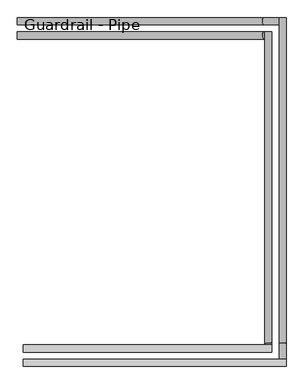
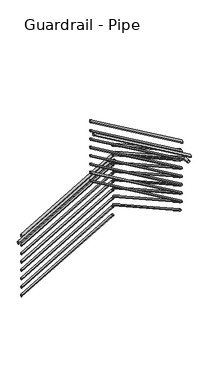
"""IFC4 building model written with IfcOpenShell, lengths in millimetres: railing geometry, Guardrail - Pipe."""

from ifc_helpers import new_model, si_unit, frame, origin, place, context, project, spatial, circle_curve, ellipse_curve, source, transform, mapped, element, save
from ifc_brep_helpers import plane_surface, cylinder_surface, advanced_brep


def guardrail_pipe_e14a1cb9(model_context):
    return source(origin(), model_context, "Body", "AdvancedBrep", [
        advanced_brep(
        [(1234.6563517, 3466.9330185, 1346.8347987), (1234.6563517, 3428.8330185, 1346.8347987), (2539.8193602, 3466.9330185, 2110.3815789), (2539.8193602, 3428.8330185, 2110.3815789), (2547.3563517, 3466.9330185, 2110.3815789), (2547.3563517, 3428.8330185, 2110.3815789)],
        [
            (0, 1, ellipse_curve(frame((1234.6563517, 3447.8830185, 1346.8347987), z_axis=(-1.0, 0.0, 0.0), x_axis=(0.0, 0.0, -1.0)), 22.0704645, 19.05)),
            (1, 0, ellipse_curve(frame((1234.6563517, 3447.8830185, 1346.8347987), z_axis=(-1.0, 0.0, 0.0), x_axis=(0.0, 0.0, -1.0)), 22.0704645, 19.05)),
            (0, 2),
            (2, 3, ellipse_curve(frame((2539.8193602, 3447.8830185, 2110.3815789), z_axis=(-0.96517990496879, 0.0, -0.2615869856174756), x_axis=(0.26158698561747573, 0.0, -0.96517990496879)), 19.737253, 19.05)),
            (3, 1),
            (3, 2, ellipse_curve(frame((2539.8193602, 3447.8830185, 2110.3815789), z_axis=(-0.96517990496879, 0.0, -0.2615869856174756), x_axis=(0.26158698561747573, 0.0, -0.96517990496879)), 19.737253, 19.05)),
            (4, 5, circle_curve(frame((2547.3563517, 3447.8830185, 2110.3815789), z_axis=(1.0, 0.0, 0.0), x_axis=(0.0, -1.0, 0.0)), 19.05)),
            (5, 4, circle_curve(frame((2547.3563517, 3447.8830185, 2110.3815789), z_axis=(1.0, 0.0, 0.0), x_axis=(0.0, -1.0, 0.0)), 19.05)),
            (2, 4),
            (5, 3),
        ],
        [
            plane_surface(frame((1234.6563517, 3447.8830185, 1368.9052632), z_axis=(-1.0, 0.0, 0.0), x_axis=(0.0, 1.0, 0.0))),
            cylinder_surface(frame((1244.2757826, 3447.8830185, 1352.4623605), z_axis=(-0.8631444979111252, 0.0, -0.5049570038386948), x_axis=(0.0, -1.0, 0.0)), 19.05),
            plane_surface(frame((2547.3563517, 3447.8830185, 2129.4315789), z_axis=(1.0, 0.0, 0.0), x_axis=(0.0, 1.0, 0.0))),
            cylinder_surface(frame((2534.6563517, 3447.8830185, 2110.3815789), z_axis=(-1.0, 0.0, 0.0), x_axis=(0.0, -1.0, 0.0)), 19.05),
        ],
        [
            (0, [[1, 2]]),
            (1, [[-1, 3, 4, 5]]),
            (1, [[-2, -5, 6, -3]]),
            (2, [[7, 8]]),
            (3, [[-4, 9, -8, 10]]),
            (3, [[-6, -10, -7, -9]]),
        ],
    ),
        advanced_brep(
        [(2585.4563517, 3466.9330185, 2249.0447046), (2547.3563517, 3466.9330185, 2249.0447046), (2585.4563517, 1812.2376261, 3175.1184211), (2547.3563517, 1812.2376261, 3175.1184211), (2585.4563517, 1804.5058469, 3175.1184211), (2547.3563517, 1804.5058469, 3175.1184211)],
        [
            (0, 1, ellipse_curve(frame((2566.4063517, 3466.9330185, 2249.0447046), z_axis=(0.0, 1.0, 0.0), x_axis=(0.0, 0.0, -1.0)), 21.8305351, 19.05)),
            (1, 0, ellipse_curve(frame((2566.4063517, 3466.9330185, 2249.0447046), z_axis=(0.0, 1.0, 0.0), x_axis=(0.0, 0.0, -1.0)), 21.8305351, 19.05)),
            (0, 2),
            (2, 3, ellipse_curve(frame((2566.4063517, 1812.2376261, 3175.1184211), z_axis=(0.0, 0.9676339497357068, -0.25235795869929556), x_axis=(0.0, -0.25235795869929495, -0.9676339497357072)), 19.6871968, 19.05)),
            (3, 1),
            (3, 2, ellipse_curve(frame((2566.4063517, 1812.2376261, 3175.1184211), z_axis=(0.0, 0.9676339497357068, -0.25235795869929556), x_axis=(0.0, -0.25235795869929495, -0.9676339497357072)), 19.6871968, 19.05)),
            (4, 5, circle_curve(frame((2566.4063517, 1804.5058469, 3175.1184211), z_axis=(0.0, -1.0, 0.0), x_axis=(-1.0, 0.0, 0.0)), 19.05)),
            (5, 4, circle_curve(frame((2566.4063517, 1804.5058469, 3175.1184211), z_axis=(0.0, -1.0, 0.0), x_axis=(-1.0, 0.0, 0.0)), 19.05)),
            (2, 4),
            (5, 3),
        ],
        [
            plane_surface(frame((2566.4063517, 3466.9330185, 2270.8752397), z_axis=(0.0, 1.0, 0.0), x_axis=(0.0, 0.0, -1.0))),
            cylinder_surface(frame((2566.4063517, 3457.6293746, 2254.2516207), z_axis=(0.0, 0.8726309213622493, -0.4883802566468795), x_axis=(-1.0, 0.0, 0.0)), 19.05),
            plane_surface(frame((2566.4063517, 1804.5058469, 3194.1684211), z_axis=(0.0, -1.0, 0.0), x_axis=(0.0, 0.0, -1.0))),
            cylinder_surface(frame((2566.4063517, 1817.2058469, 3175.1184211), z_axis=(0.0, 1.0, 0.0), x_axis=(-1.0, 0.0, 0.0)), 19.05),
        ],
        [
            (0, [[1, 2]]),
            (1, [[-1, 3, 4, 5]]),
            (1, [[-2, -5, 6, -3]]),
            (2, [[7, 8]]),
            (3, [[-4, 9, -8, 10]]),
            (3, [[-6, -10, -7, -9]]),
        ],
    ),
        advanced_brep(
        [(2585.4563517, 1766.4058469, 3313.0585841), (2585.4563517, 1804.5058469, 3313.0585841), (1266.4063517, 1766.4058469, 4084.7295355), (1266.4063517, 1804.5058469, 4084.7295355)],
        [
            (0, 1, ellipse_curve(frame((2585.4563517, 1785.4558469, 3313.0585841), z_axis=(1.0, 0.0, 0.0), x_axis=(0.0, 0.0, -1.0)), 22.0704645, 19.05)),
            (1, 0, ellipse_curve(frame((2585.4563517, 1785.4558469, 3313.0585841), z_axis=(1.0, 0.0, 0.0), x_axis=(0.0, 0.0, -1.0)), 22.0704645, 19.05)),
            (2, 3, ellipse_curve(frame((1266.4063517, 1785.4558469, 4084.7295355), z_axis=(-1.0, 0.0, 0.0), x_axis=(0.0, 0.0, -1.0)), 22.0704645, 19.05)),
            (3, 2, ellipse_curve(frame((1266.4063517, 1785.4558469, 4084.7295355), z_axis=(-1.0, 0.0, 0.0), x_axis=(0.0, 0.0, -1.0)), 22.0704645, 19.05)),
            (0, 2),
            (3, 1),
        ],
        [
            plane_surface(frame((2585.4563517, 1785.4558469, 3335.1290486), z_axis=(1.0, 0.0, 0.0), x_axis=(0.0, -1.0, 0.0))),
            plane_surface(frame((1266.4063517, 1785.4558469, 4106.8), z_axis=(-1.0, 0.0, 0.0), x_axis=(0.0, -1.0, 0.0))),
            cylinder_surface(frame((2575.8369208, 1785.4558469, 3318.6861459), z_axis=(0.8631444979111254, 0.0, -0.5049570038386947), x_axis=(0.0, 1.0, 0.0)), 19.05),
        ],
        [
            (0, [[1, 2]]),
            (1, [[3, 4]]),
            (2, [[-1, 5, -4, 6]]),
            (2, [[-2, -6, -3, -5]]),
        ],
    ),
        advanced_brep(
        [(1234.6563517, 3460.5830185, 1201.7916202), (1234.6563517, 3435.1830185, 1201.7916202), (2538.0983574, 3460.5830185, 1964.3315789), (2538.0983574, 3435.1830185, 1964.3315789), (2553.7063517, 3460.5830185, 1964.3315789), (2553.7063517, 3435.1830185, 1964.3315789)],
        [
            (0, 1, ellipse_curve(frame((1234.6563517, 3447.8830185, 1201.7916202), z_axis=(-1.0, 0.0, 0.0), x_axis=(0.0, 0.0, -1.0)), 14.713643, 12.7)),
            (1, 0, ellipse_curve(frame((1234.6563517, 3447.8830185, 1201.7916202), z_axis=(-1.0, 0.0, 0.0), x_axis=(0.0, 0.0, -1.0)), 14.713643, 12.7)),
            (0, 2),
            (2, 3, ellipse_curve(frame((2538.0983574, 3447.8830185, 1964.3315789), z_axis=(-0.96517990496879, 0.0, -0.2615869856174756), x_axis=(0.26158698561747573, 0.0, -0.96517990496879)), 13.1581687, 12.7)),
            (3, 1),
            (3, 2, ellipse_curve(frame((2538.0983574, 3447.8830185, 1964.3315789), z_axis=(-0.96517990496879, 0.0, -0.2615869856174756), x_axis=(0.26158698561747573, 0.0, -0.96517990496879)), 13.1581687, 12.7)),
            (4, 5, circle_curve(frame((2553.7063517, 3447.8830185, 1964.3315789), z_axis=(1.0, 0.0, 0.0), x_axis=(0.0, -1.0, 0.0)), 12.7)),
            (5, 4, circle_curve(frame((2553.7063517, 3447.8830185, 1964.3315789), z_axis=(1.0, 0.0, 0.0), x_axis=(0.0, -1.0, 0.0)), 12.7)),
            (2, 4),
            (5, 3),
        ],
        [
            plane_surface(frame((1234.6563517, 3447.8830185, 1216.5052632), z_axis=(-1.0, 0.0, 0.0), x_axis=(0.0, 1.0, 0.0))),
            cylinder_surface(frame((1241.0693057, 3447.8830185, 1205.543328), z_axis=(-0.8631444979111252, 0.0, -0.5049570038386948), x_axis=(0.0, -1.0, 0.0)), 12.7),
            plane_surface(frame((2553.7063517, 3447.8830185, 1977.0315789), z_axis=(1.0, 0.0, 0.0), x_axis=(0.0, 1.0, 0.0))),
            cylinder_surface(frame((2534.6563517, 3447.8830185, 1964.3315789), z_axis=(-1.0, 0.0, 0.0), x_axis=(0.0, -1.0, 0.0)), 12.7),
        ],
        [
            (0, [[1, 2]]),
            (1, [[-1, 3, 4, 5]]),
            (1, [[-2, -5, 6, -3]]),
            (2, [[7, 8]]),
            (3, [[-4, 9, -8, 10]]),
            (3, [[-6, -10, -7, -9]]),
        ],
    ),
        advanced_brep(
        [(2579.1063517, 3460.5830185, 2107.4754171), (2553.7063517, 3460.5830185, 2107.4754171), (2579.1063517, 1813.8936997, 3029.0684211), (2553.7063517, 1813.8936997, 3029.0684211), (2579.1063517, 1798.1558469, 3029.0684211), (2553.7063517, 1798.1558469, 3029.0684211)],
        [
            (0, 1, ellipse_curve(frame((2566.4063517, 3460.5830185, 2107.4754171), z_axis=(0.0, 1.0, 0.0), x_axis=(0.0, 0.0, -1.0)), 14.5536901, 12.7)),
            (1, 0, ellipse_curve(frame((2566.4063517, 3460.5830185, 2107.4754171), z_axis=(0.0, 1.0, 0.0), x_axis=(0.0, 0.0, -1.0)), 14.5536901, 12.7)),
            (0, 2),
            (2, 3, ellipse_curve(frame((2566.4063517, 1813.8936997, 3029.0684211), z_axis=(0.0, 0.9676339497357068, -0.25235795869929556), x_axis=(0.0, -0.25235795869929495, -0.9676339497357072)), 13.1247979, 12.7)),
            (3, 1),
            (3, 2, ellipse_curve(frame((2566.4063517, 1813.8936997, 3029.0684211), z_axis=(0.0, 0.9676339497357068, -0.25235795869929556), x_axis=(0.0, -0.25235795869929495, -0.9676339497357072)), 13.1247979, 12.7)),
            (4, 5, circle_curve(frame((2566.4063517, 1798.1558469, 3029.0684211), z_axis=(0.0, -1.0, 0.0), x_axis=(-1.0, 0.0, 0.0)), 12.7)),
            (5, 4, circle_curve(frame((2566.4063517, 1798.1558469, 3029.0684211), z_axis=(0.0, -1.0, 0.0), x_axis=(-1.0, 0.0, 0.0)), 12.7)),
            (2, 4),
            (5, 3),
        ],
        [
            plane_surface(frame((2566.4063517, 3460.5830185, 2122.0291072), z_axis=(0.0, 1.0, 0.0), x_axis=(0.0, 0.0, -1.0))),
            cylinder_surface(frame((2566.4063517, 3454.3805893, 2110.9466945), z_axis=(0.0, 0.8726309213622493, -0.4883802566468795), x_axis=(-1.0, 0.0, 0.0)), 12.7),
            plane_surface(frame((2566.4063517, 1798.1558469, 3041.7684211), z_axis=(0.0, -1.0, 0.0), x_axis=(0.0, 0.0, -1.0))),
            cylinder_surface(frame((2566.4063517, 1817.2058469, 3029.0684211), z_axis=(0.0, 1.0, 0.0), x_axis=(-1.0, 0.0, 0.0)), 12.7),
        ],
        [
            (0, [[1, 2]]),
            (1, [[-1, 3, 4, 5]]),
            (1, [[-2, -5, 6, -3]]),
            (2, [[7, 8]]),
            (3, [[-4, 9, -8, 10]]),
            (3, [[-6, -10, -7, -9]]),
        ],
    ),
        advanced_brep(
        [(2579.1063517, 1772.7558469, 3171.7302841), (2579.1063517, 1798.1558469, 3171.7302841), (1266.4063517, 1772.7558469, 3939.686357), (1266.4063517, 1798.1558469, 3939.686357)],
        [
            (0, 1, ellipse_curve(frame((2579.1063517, 1785.4558469, 3171.7302841), z_axis=(1.0, 0.0, 0.0), x_axis=(0.0, 0.0, -1.0)), 14.713643, 12.7)),
            (1, 0, ellipse_curve(frame((2579.1063517, 1785.4558469, 3171.7302841), z_axis=(1.0, 0.0, 0.0), x_axis=(0.0, 0.0, -1.0)), 14.713643, 12.7)),
            (2, 3, ellipse_curve(frame((1266.4063517, 1785.4558469, 3939.686357), z_axis=(-1.0, 0.0, 0.0), x_axis=(0.0, 0.0, -1.0)), 14.713643, 12.7)),
            (3, 2, ellipse_curve(frame((1266.4063517, 1785.4558469, 3939.686357), z_axis=(-1.0, 0.0, 0.0), x_axis=(0.0, 0.0, -1.0)), 14.713643, 12.7)),
            (0, 2),
            (3, 1),
        ],
        [
            plane_surface(frame((2579.1063517, 1785.4558469, 3186.4439271), z_axis=(1.0, 0.0, 0.0), x_axis=(0.0, -1.0, 0.0))),
            plane_surface(frame((1266.4063517, 1785.4558469, 3954.4), z_axis=(-1.0, 0.0, 0.0), x_axis=(0.0, -1.0, 0.0))),
            cylinder_surface(frame((2572.6933978, 1785.4558469, 3175.481992), z_axis=(0.8631444979111254, 0.0, -0.5049570038386947), x_axis=(0.0, 1.0, 0.0)), 12.7),
        ],
        [
            (0, [[1, 2]]),
            (1, [[3, 4]]),
            (2, [[-1, 5, -4, 6]]),
            (2, [[-2, -6, -3, -5]]),
        ],
    ),
        advanced_brep(
        [(1234.6563517, 3543.1330185, 1194.4347987), (1234.6563517, 3505.0330185, 1194.4347987), (2539.8193602, 3543.1330185, 1957.9815789), (2539.8193602, 3505.0330185, 1957.9815789), (2623.5563517, 3543.1330185, 1957.9815789), (2623.5563517, 3505.0330185, 1957.9815789)],
        [
            (0, 1, ellipse_curve(frame((1234.6563517, 3524.0830185, 1194.4347987), z_axis=(-1.0, 0.0, 0.0), x_axis=(0.0, 0.0, -1.0)), 22.0704645, 19.05)),
            (1, 0, ellipse_curve(frame((1234.6563517, 3524.0830185, 1194.4347987), z_axis=(-1.0, 0.0, 0.0), x_axis=(0.0, 0.0, -1.0)), 22.0704645, 19.05)),
            (0, 2),
            (2, 3, ellipse_curve(frame((2539.8193602, 3524.0830185, 1957.9815789), z_axis=(-0.96517990496879, 0.0, -0.2615869856174756), x_axis=(0.26158698561747545, 0.0, -0.9651799049687901)), 19.737253, 19.05)),
            (3, 1),
            (3, 2, ellipse_curve(frame((2539.8193602, 3524.0830185, 1957.9815789), z_axis=(-0.96517990496879, 0.0, -0.2615869856174756), x_axis=(0.26158698561747545, 0.0, -0.9651799049687901)), 19.737253, 19.05)),
            (4, 5, circle_curve(frame((2623.5563517, 3524.0830185, 1957.9815789), z_axis=(1.0, 0.0, 0.0), x_axis=(0.0, -1.0, 0.0)), 19.05)),
            (5, 4, circle_curve(frame((2623.5563517, 3524.0830185, 1957.9815789), z_axis=(1.0, 0.0, 0.0), x_axis=(0.0, -1.0, 0.0)), 19.05)),
            (2, 4),
            (5, 3),
        ],
        [
            plane_surface(frame((1234.6563517, 3524.0830185, 1216.5052632), z_axis=(-1.0, 0.0, 0.0), x_axis=(0.0, 1.0, 0.0))),
            cylinder_surface(frame((1244.2757826, 3524.0830185, 1200.0623605), z_axis=(-0.8631444979111254, 0.0, -0.5049570038386947), x_axis=(0.0, -1.0, 0.0)), 19.05),
            plane_surface(frame((2623.5563517, 3524.0830185, 1977.0315789), z_axis=(1.0, 0.0, 0.0), x_axis=(0.0, 1.0, 0.0))),
            cylinder_surface(frame((2534.6563517, 3524.0830185, 1957.9815789), z_axis=(-1.0, 0.0, 0.0), x_axis=(0.0, -1.0, 0.0)), 19.05),
        ],
        [
            (0, [[1, 2]]),
            (1, [[-1, 3, 4, 5]]),
            (1, [[-2, -5, 6, -3]]),
            (2, [[7, 8]]),
            (3, [[-4, 9, -8, 10]]),
            (3, [[-6, -10, -7, -9]]),
        ],
    ),
        advanced_brep(
        [(2661.6563517, 3543.1330185, 2053.9982952), (2623.5563517, 3543.1330185, 2053.9982952), (2661.6563517, 1812.2376261, 3022.7184211), (2623.5563517, 1812.2376261, 3022.7184211), (2661.6563517, 1728.3058469, 3022.7184211), (2623.5563517, 1728.3058469, 3022.7184211)],
        [
            (0, 1, ellipse_curve(frame((2642.6063517, 3543.1330185, 2053.9982952), z_axis=(0.0, 1.0, 0.0), x_axis=(0.0, 0.0, -1.0)), 21.8305351, 19.05)),
            (1, 0, ellipse_curve(frame((2642.6063517, 3543.1330185, 2053.9982952), z_axis=(0.0, 1.0, 0.0), x_axis=(0.0, 0.0, -1.0)), 21.8305351, 19.05)),
            (0, 2),
            (2, 3, ellipse_curve(frame((2642.6063517, 1812.2376261, 3022.7184211), z_axis=(0.0, 0.9676339497357069, -0.2523579586992955), x_axis=(0.0, -0.25235795869929545, -0.9676339497357072)), 19.6871968, 19.05)),
            (3, 1),
            (3, 2, ellipse_curve(frame((2642.6063517, 1812.2376261, 3022.7184211), z_axis=(0.0, 0.9676339497357069, -0.2523579586992955), x_axis=(0.0, -0.25235795869929545, -0.9676339497357072)), 19.6871968, 19.05)),
            (4, 5, circle_curve(frame((2642.6063517, 1728.3058469, 3022.7184211), z_axis=(0.0, -1.0, 0.0), x_axis=(-1.0, 0.0, 0.0)), 19.05)),
            (5, 4, circle_curve(frame((2642.6063517, 1728.3058469, 3022.7184211), z_axis=(0.0, -1.0, 0.0), x_axis=(-1.0, 0.0, 0.0)), 19.05)),
            (2, 4),
            (5, 3),
        ],
        [
            plane_surface(frame((2642.6063517, 3543.1330185, 2075.8288303), z_axis=(0.0, 1.0, 0.0), x_axis=(0.0, 0.0, -1.0))),
            cylinder_surface(frame((2642.6063517, 3533.8293746, 2059.2052113), z_axis=(0.0, 0.8726309213622494, -0.48838025664687945), x_axis=(-1.0, 0.0, 0.0)), 19.05),
            plane_surface(frame((2642.6063517, 1728.3058469, 3041.7684211), z_axis=(0.0, -1.0, 0.0), x_axis=(0.0, 0.0, -1.0))),
            cylinder_surface(frame((2642.6063517, 1817.2058469, 3022.7184211), z_axis=(0.0, 1.0, 0.0), x_axis=(-1.0, 0.0, 0.0)), 19.05),
        ],
        [
            (0, [[1, 2]]),
            (1, [[-1, 3, 4, 5]]),
            (1, [[-2, -5, 6, -3]]),
            (2, [[7, 8]]),
            (3, [[-4, 9, -8, 10]]),
            (3, [[-6, -10, -7, -9]]),
        ],
    ),
        advanced_brep(
        [(2661.6563517, 1690.2058469, 3116.0800416), (2661.6563517, 1728.3058469, 3116.0800416), (1266.4063517, 1690.2058469, 3932.3295355), (1266.4063517, 1728.3058469, 3932.3295355)],
        [
            (0, 1, ellipse_curve(frame((2661.6563517, 1709.2558469, 3116.0800416), z_axis=(1.0, 0.0, 0.0), x_axis=(0.0, 0.0, -1.0)), 22.0704645, 19.05)),
            (1, 0, ellipse_curve(frame((2661.6563517, 1709.2558469, 3116.0800416), z_axis=(1.0, 0.0, 0.0), x_axis=(0.0, 0.0, -1.0)), 22.0704645, 19.05)),
            (2, 3, ellipse_curve(frame((1266.4063517, 1709.2558469, 3932.3295355), z_axis=(-1.0, 0.0, 0.0), x_axis=(0.0, 0.0, -1.0)), 22.0704645, 19.05)),
            (3, 2, ellipse_curve(frame((1266.4063517, 1709.2558469, 3932.3295355), z_axis=(-1.0, 0.0, 0.0), x_axis=(0.0, 0.0, -1.0)), 22.0704645, 19.05)),
            (0, 2),
            (3, 1),
        ],
        [
            plane_surface(frame((2661.6563517, 1709.2558469, 3138.1505061), z_axis=(1.0, 0.0, 0.0), x_axis=(0.0, -1.0, 0.0))),
            plane_surface(frame((1266.4063517, 1709.2558469, 3954.4), z_axis=(-1.0, 0.0, 0.0), x_axis=(0.0, -1.0, 0.0))),
            cylinder_surface(frame((2652.0369208, 1709.2558469, 3121.7076034), z_axis=(0.8631444979111254, 0.0, -0.5049570038386946), x_axis=(0.0, 1.0, 0.0)), 19.05),
        ],
        [
            (0, [[1, 2]]),
            (1, [[3, 4]]),
            (2, [[-1, 5, -4, 6]]),
            (2, [[-2, -6, -3, -5]]),
        ],
    ),
        advanced_brep(
        [(1234.6563517, 3460.5830185, 1074.7916202), (1234.6563517, 3435.1830185, 1074.7916202), (2538.0983574, 3460.5830185, 1837.3315789), (2538.0983574, 3435.1830185, 1837.3315789), (2553.7063517, 3460.5830185, 1837.3315789), (2553.7063517, 3435.1830185, 1837.3315789)],
        [
            (0, 1, ellipse_curve(frame((1234.6563517, 3447.8830185, 1074.7916202), z_axis=(-1.0, 0.0, 0.0), x_axis=(0.0, 0.0, -1.0)), 14.713643, 12.7)),
            (1, 0, ellipse_curve(frame((1234.6563517, 3447.8830185, 1074.7916202), z_axis=(-1.0, 0.0, 0.0), x_axis=(0.0, 0.0, -1.0)), 14.713643, 12.7)),
            (0, 2),
            (2, 3, ellipse_curve(frame((2538.0983574, 3447.8830185, 1837.3315789), z_axis=(-0.96517990496879, 0.0, -0.2615869856174756), x_axis=(0.26158698561747573, 0.0, -0.96517990496879)), 13.1581687, 12.7)),
            (3, 1),
            (3, 2, ellipse_curve(frame((2538.0983574, 3447.8830185, 1837.3315789), z_axis=(-0.96517990496879, 0.0, -0.2615869856174756), x_axis=(0.26158698561747573, 0.0, -0.96517990496879)), 13.1581687, 12.7)),
            (4, 5, circle_curve(frame((2553.7063517, 3447.8830185, 1837.3315789), z_axis=(1.0, 0.0, 0.0), x_axis=(0.0, -1.0, 0.0)), 12.7)),
            (5, 4, circle_curve(frame((2553.7063517, 3447.8830185, 1837.3315789), z_axis=(1.0, 0.0, 0.0), x_axis=(0.0, -1.0, 0.0)), 12.7)),
            (2, 4),
            (5, 3),
        ],
        [
            plane_surface(frame((1234.6563517, 3447.8830185, 1089.5052632), z_axis=(-1.0, 0.0, 0.0), x_axis=(0.0, 1.0, 0.0))),
            cylinder_surface(frame((1241.0693057, 3447.8830185, 1078.543328), z_axis=(-0.8631444979111252, 0.0, -0.5049570038386948), x_axis=(0.0, -1.0, 0.0)), 12.7),
            plane_surface(frame((2553.7063517, 3447.8830185, 1850.0315789), z_axis=(1.0, 0.0, 0.0), x_axis=(0.0, 1.0, 0.0))),
            cylinder_surface(frame((2534.6563517, 3447.8830185, 1837.3315789), z_axis=(-1.0, 0.0, 0.0), x_axis=(0.0, -1.0, 0.0)), 12.7),
        ],
        [
            (0, [[1, 2]]),
            (1, [[-1, 3, 4, 5]]),
            (1, [[-2, -5, 6, -3]]),
            (2, [[7, 8]]),
            (3, [[-4, 9, -8, 10]]),
            (3, [[-6, -10, -7, -9]]),
        ],
    ),
        advanced_brep(
        [(2579.1063517, 3460.5830185, 1980.4754171), (2553.7063517, 3460.5830185, 1980.4754171), (2579.1063517, 1813.8936997, 2902.0684211), (2553.7063517, 1813.8936997, 2902.0684211), (2579.1063517, 1798.1558469, 2902.0684211), (2553.7063517, 1798.1558469, 2902.0684211)],
        [
            (0, 1, ellipse_curve(frame((2566.4063517, 3460.5830185, 1980.4754171), z_axis=(0.0, 1.0, 0.0), x_axis=(0.0, 0.0, -1.0)), 14.5536901, 12.7)),
            (1, 0, ellipse_curve(frame((2566.4063517, 3460.5830185, 1980.4754171), z_axis=(0.0, 1.0, 0.0), x_axis=(0.0, 0.0, -1.0)), 14.5536901, 12.7)),
            (0, 2),
            (2, 3, ellipse_curve(frame((2566.4063517, 1813.8936997, 2902.0684211), z_axis=(0.0, 0.9676339497357068, -0.25235795869929556), x_axis=(0.0, -0.25235795869929495, -0.9676339497357072)), 13.1247979, 12.7)),
            (3, 1),
            (3, 2, ellipse_curve(frame((2566.4063517, 1813.8936997, 2902.0684211), z_axis=(0.0, 0.9676339497357068, -0.25235795869929556), x_axis=(0.0, -0.25235795869929495, -0.9676339497357072)), 13.1247979, 12.7)),
            (4, 5, circle_curve(frame((2566.4063517, 1798.1558469, 2902.0684211), z_axis=(0.0, -1.0, 0.0), x_axis=(-1.0, 0.0, 0.0)), 12.7)),
            (5, 4, circle_curve(frame((2566.4063517, 1798.1558469, 2902.0684211), z_axis=(0.0, -1.0, 0.0), x_axis=(-1.0, 0.0, 0.0)), 12.7)),
            (2, 4),
            (5, 3),
        ],
        [
            plane_surface(frame((2566.4063517, 3460.5830185, 1995.0291072), z_axis=(0.0, 1.0, 0.0), x_axis=(0.0, 0.0, -1.0))),
            cylinder_surface(frame((2566.4063517, 3454.3805893, 1983.9466945), z_axis=(0.0, 0.8726309213622493, -0.4883802566468795), x_axis=(-1.0, 0.0, 0.0)), 12.7),
            plane_surface(frame((2566.4063517, 1798.1558469, 2914.7684211), z_axis=(0.0, -1.0, 0.0), x_axis=(0.0, 0.0, -1.0))),
            cylinder_surface(frame((2566.4063517, 1817.2058469, 2902.0684211), z_axis=(0.0, 1.0, 0.0), x_axis=(-1.0, 0.0, 0.0)), 12.7),
        ],
        [
            (0, [[1, 2]]),
            (1, [[-1, 3, 4, 5]]),
            (1, [[-2, -5, 6, -3]]),
            (2, [[7, 8]]),
            (3, [[-4, 9, -8, 10]]),
            (3, [[-6, -10, -7, -9]]),
        ],
    ),
        advanced_brep(
        [(2579.1063517, 1772.7558469, 3044.7302841), (2579.1063517, 1798.1558469, 3044.7302841), (1266.4063517, 1772.7558469, 3812.686357), (1266.4063517, 1798.1558469, 3812.686357)],
        [
            (0, 1, ellipse_curve(frame((2579.1063517, 1785.4558469, 3044.7302841), z_axis=(1.0, 0.0, 0.0), x_axis=(0.0, 0.0, -1.0)), 14.713643, 12.7)),
            (1, 0, ellipse_curve(frame((2579.1063517, 1785.4558469, 3044.7302841), z_axis=(1.0, 0.0, 0.0), x_axis=(0.0, 0.0, -1.0)), 14.713643, 12.7)),
            (2, 3, ellipse_curve(frame((1266.4063517, 1785.4558469, 3812.686357), z_axis=(-1.0, 0.0, 0.0), x_axis=(0.0, 0.0, -1.0)), 14.713643, 12.7)),
            (3, 2, ellipse_curve(frame((1266.4063517, 1785.4558469, 3812.686357), z_axis=(-1.0, 0.0, 0.0), x_axis=(0.0, 0.0, -1.0)), 14.713643, 12.7)),
            (0, 2),
            (3, 1),
        ],
        [
            plane_surface(frame((2579.1063517, 1785.4558469, 3059.4439271), z_axis=(1.0, 0.0, 0.0), x_axis=(0.0, -1.0, 0.0))),
            plane_surface(frame((1266.4063517, 1785.4558469, 3827.4), z_axis=(-1.0, 0.0, 0.0), x_axis=(0.0, -1.0, 0.0))),
            cylinder_surface(frame((2572.6933978, 1785.4558469, 3048.481992), z_axis=(0.8631444979111254, 0.0, -0.5049570038386947), x_axis=(0.0, 1.0, 0.0)), 12.7),
        ],
        [
            (0, [[1, 2]]),
            (1, [[3, 4]]),
            (2, [[-1, 5, -4, 6]]),
            (2, [[-2, -6, -3, -5]]),
        ],
    ),
        advanced_brep(
        [(1234.6563517, 3460.5830185, 947.7916202), (1234.6563517, 3435.1830185, 947.7916202), (2538.0983574, 3460.5830185, 1710.3315789), (2538.0983574, 3435.1830185, 1710.3315789), (2553.7063517, 3460.5830185, 1710.3315789), (2553.7063517, 3435.1830185, 1710.3315789)],
        [
            (0, 1, ellipse_curve(frame((1234.6563517, 3447.8830185, 947.7916202), z_axis=(-1.0, 0.0, 0.0), x_axis=(0.0, 0.0, -1.0)), 14.713643, 12.7)),
            (1, 0, ellipse_curve(frame((1234.6563517, 3447.8830185, 947.7916202), z_axis=(-1.0, 0.0, 0.0), x_axis=(0.0, 0.0, -1.0)), 14.713643, 12.7)),
            (0, 2),
            (2, 3, ellipse_curve(frame((2538.0983574, 3447.8830185, 1710.3315789), z_axis=(-0.9651799049687899, 0.0, -0.2615869856174757), x_axis=(0.2615869856174748, 0.0, -0.9651799049687902)), 13.1581687, 12.7)),
            (3, 1),
            (3, 2, ellipse_curve(frame((2538.0983574, 3447.8830185, 1710.3315789), z_axis=(-0.9651799049687899, 0.0, -0.2615869856174757), x_axis=(0.2615869856174748, 0.0, -0.9651799049687902)), 13.1581687, 12.7)),
            (4, 5, circle_curve(frame((2553.7063517, 3447.8830185, 1710.3315789), z_axis=(1.0, 0.0, 0.0), x_axis=(0.0, -1.0, 0.0)), 12.7)),
            (5, 4, circle_curve(frame((2553.7063517, 3447.8830185, 1710.3315789), z_axis=(1.0, 0.0, 0.0), x_axis=(0.0, -1.0, 0.0)), 12.7)),
            (2, 4),
            (5, 3),
        ],
        [
            plane_surface(frame((1234.6563517, 3447.8830185, 962.5052632), z_axis=(-1.0, 0.0, 0.0), x_axis=(0.0, 1.0, 0.0))),
            cylinder_surface(frame((1241.0693057, 3447.8830185, 951.543328), z_axis=(-0.8631444979111251, 0.0, -0.5049570038386949), x_axis=(0.0, -1.0, 0.0)), 12.7),
            plane_surface(frame((2553.7063517, 3447.8830185, 1723.0315789), z_axis=(1.0, 0.0, 0.0), x_axis=(0.0, 1.0, 0.0))),
            cylinder_surface(frame((2534.6563517, 3447.8830185, 1710.3315789), z_axis=(-1.0, 0.0, 0.0), x_axis=(0.0, -1.0, 0.0)), 12.7),
        ],
        [
            (0, [[1, 2]]),
            (1, [[-1, 3, 4, 5]]),
            (1, [[-2, -5, 6, -3]]),
            (2, [[7, 8]]),
            (3, [[-4, 9, -8, 10]]),
            (3, [[-6, -10, -7, -9]]),
        ],
    ),
        advanced_brep(
        [(2579.1063517, 3460.5830185, 1853.4754171), (2553.7063517, 3460.5830185, 1853.4754171), (2579.1063517, 1813.8936997, 2775.0684211), (2553.7063517, 1813.8936997, 2775.0684211), (2579.1063517, 1798.1558469, 2775.0684211), (2553.7063517, 1798.1558469, 2775.0684211)],
        [
            (0, 1, ellipse_curve(frame((2566.4063517, 3460.5830185, 1853.4754171), z_axis=(0.0, 1.0, 0.0), x_axis=(0.0, 0.0, -1.0)), 14.5536901, 12.7)),
            (1, 0, ellipse_curve(frame((2566.4063517, 3460.5830185, 1853.4754171), z_axis=(0.0, 1.0, 0.0), x_axis=(0.0, 0.0, -1.0)), 14.5536901, 12.7)),
            (0, 2),
            (2, 3, ellipse_curve(frame((2566.4063517, 1813.8936997, 2775.0684211), z_axis=(0.0, 0.9676339497357069, -0.2523579586992955), x_axis=(0.0, -0.25235795869929545, -0.9676339497357072)), 13.1247979, 12.7)),
            (3, 1),
            (3, 2, ellipse_curve(frame((2566.4063517, 1813.8936997, 2775.0684211), z_axis=(0.0, 0.9676339497357069, -0.2523579586992955), x_axis=(0.0, -0.25235795869929545, -0.9676339497357072)), 13.1247979, 12.7)),
            (4, 5, circle_curve(frame((2566.4063517, 1798.1558469, 2775.0684211), z_axis=(0.0, -1.0, 0.0), x_axis=(-1.0, 0.0, 0.0)), 12.7)),
            (5, 4, circle_curve(frame((2566.4063517, 1798.1558469, 2775.0684211), z_axis=(0.0, -1.0, 0.0), x_axis=(-1.0, 0.0, 0.0)), 12.7)),
            (2, 4),
            (5, 3),
        ],
        [
            plane_surface(frame((2566.4063517, 3460.5830185, 1868.0291072), z_axis=(0.0, 1.0, 0.0), x_axis=(0.0, 0.0, -1.0))),
            cylinder_surface(frame((2566.4063517, 3454.3805893, 1856.9466945), z_axis=(0.0, 0.8726309213622494, -0.48838025664687945), x_axis=(-1.0, 0.0, 0.0)), 12.7),
            plane_surface(frame((2566.4063517, 1798.1558469, 2787.7684211), z_axis=(0.0, -1.0, 0.0), x_axis=(0.0, 0.0, -1.0))),
            cylinder_surface(frame((2566.4063517, 1817.2058469, 2775.0684211), z_axis=(0.0, 1.0, 0.0), x_axis=(-1.0, 0.0, 0.0)), 12.7),
        ],
        [
            (0, [[1, 2]]),
            (1, [[-1, 3, 4, 5]]),
            (1, [[-2, -5, 6, -3]]),
            (2, [[7, 8]]),
            (3, [[-4, 9, -8, 10]]),
            (3, [[-6, -10, -7, -9]]),
        ],
    ),
        advanced_brep(
        [(2579.1063517, 1772.7558469, 2917.7302841), (2579.1063517, 1798.1558469, 2917.7302841), (1266.4063517, 1772.7558469, 3685.686357), (1266.4063517, 1798.1558469, 3685.686357)],
        [
            (0, 1, ellipse_curve(frame((2579.1063517, 1785.4558469, 2917.7302841), z_axis=(1.0, 0.0, 0.0), x_axis=(0.0, 0.0, -1.0)), 14.713643, 12.7)),
            (1, 0, ellipse_curve(frame((2579.1063517, 1785.4558469, 2917.7302841), z_axis=(1.0, 0.0, 0.0), x_axis=(0.0, 0.0, -1.0)), 14.713643, 12.7)),
            (2, 3, ellipse_curve(frame((1266.4063517, 1785.4558469, 3685.686357), z_axis=(-1.0, 0.0, 0.0), x_axis=(0.0, 0.0, -1.0)), 14.713643, 12.7)),
            (3, 2, ellipse_curve(frame((1266.4063517, 1785.4558469, 3685.686357), z_axis=(-1.0, 0.0, 0.0), x_axis=(0.0, 0.0, -1.0)), 14.713643, 12.7)),
            (0, 2),
            (3, 1),
        ],
        [
            plane_surface(frame((2579.1063517, 1785.4558469, 2932.4439271), z_axis=(1.0, 0.0, 0.0), x_axis=(0.0, -1.0, 0.0))),
            plane_surface(frame((1266.4063517, 1785.4558469, 3700.4), z_axis=(-1.0, 0.0, 0.0), x_axis=(0.0, -1.0, 0.0))),
            cylinder_surface(frame((2572.6933978, 1785.4558469, 2921.481992), z_axis=(0.8631444979111254, 0.0, -0.5049570038386947), x_axis=(0.0, 1.0, 0.0)), 12.7),
        ],
        [
            (0, [[1, 2]]),
            (1, [[3, 4]]),
            (2, [[-1, 5, -4, 6]]),
            (2, [[-2, -6, -3, -5]]),
        ],
    ),
        advanced_brep(
        [(1234.6563517, 3460.5830185, 820.7916202), (1234.6563517, 3435.1830185, 820.7916202), (2538.0983574, 3460.5830185, 1583.3315789), (2538.0983574, 3435.1830185, 1583.3315789), (2553.7063517, 3460.5830185, 1583.3315789), (2553.7063517, 3435.1830185, 1583.3315789)],
        [
            (0, 1, ellipse_curve(frame((1234.6563517, 3447.8830185, 820.7916202), z_axis=(-1.0, 0.0, 0.0), x_axis=(0.0, 0.0, -1.0)), 14.713643, 12.7)),
            (1, 0, ellipse_curve(frame((1234.6563517, 3447.8830185, 820.7916202), z_axis=(-1.0, 0.0, 0.0), x_axis=(0.0, 0.0, -1.0)), 14.713643, 12.7)),
            (0, 2),
            (2, 3, ellipse_curve(frame((2538.0983574, 3447.8830185, 1583.3315789), z_axis=(-0.96517990496879, 0.0, -0.2615869856174756), x_axis=(0.26158698561747573, 0.0, -0.96517990496879)), 13.1581687, 12.7)),
            (3, 1),
            (3, 2, ellipse_curve(frame((2538.0983574, 3447.8830185, 1583.3315789), z_axis=(-0.96517990496879, 0.0, -0.2615869856174756), x_axis=(0.26158698561747573, 0.0, -0.96517990496879)), 13.1581687, 12.7)),
            (4, 5, circle_curve(frame((2553.7063517, 3447.8830185, 1583.3315789), z_axis=(1.0, 0.0, 0.0), x_axis=(0.0, -1.0, 0.0)), 12.7)),
            (5, 4, circle_curve(frame((2553.7063517, 3447.8830185, 1583.3315789), z_axis=(1.0, 0.0, 0.0), x_axis=(0.0, -1.0, 0.0)), 12.7)),
            (2, 4),
            (5, 3),
        ],
        [
            plane_surface(frame((1234.6563517, 3447.8830185, 835.5052632), z_axis=(-1.0, 0.0, 0.0), x_axis=(0.0, 1.0, 0.0))),
            cylinder_surface(frame((1241.0693057, 3447.8830185, 824.543328), z_axis=(-0.8631444979111252, 0.0, -0.5049570038386948), x_axis=(0.0, -1.0, 0.0)), 12.7),
            plane_surface(frame((2553.7063517, 3447.8830185, 1596.0315789), z_axis=(1.0, 0.0, 0.0), x_axis=(0.0, 1.0, 0.0))),
            cylinder_surface(frame((2534.6563517, 3447.8830185, 1583.3315789), z_axis=(-1.0, 0.0, 0.0), x_axis=(0.0, -1.0, 0.0)), 12.7),
        ],
        [
            (0, [[1, 2]]),
            (1, [[-1, 3, 4, 5]]),
            (1, [[-2, -5, 6, -3]]),
            (2, [[7, 8]]),
            (3, [[-4, 9, -8, 10]]),
            (3, [[-6, -10, -7, -9]]),
        ],
    ),
        advanced_brep(
        [(2579.1063517, 3460.5830185, 1726.4754171), (2553.7063517, 3460.5830185, 1726.4754171), (2579.1063517, 1813.8936997, 2648.0684211), (2553.7063517, 1813.8936997, 2648.0684211), (2579.1063517, 1798.1558469, 2648.0684211), (2553.7063517, 1798.1558469, 2648.0684211)],
        [
            (0, 1, ellipse_curve(frame((2566.4063517, 3460.5830185, 1726.4754171), z_axis=(0.0, 1.0, 0.0), x_axis=(0.0, 0.0, -1.0)), 14.5536901, 12.7)),
            (1, 0, ellipse_curve(frame((2566.4063517, 3460.5830185, 1726.4754171), z_axis=(0.0, 1.0, 0.0), x_axis=(0.0, 0.0, -1.0)), 14.5536901, 12.7)),
            (0, 2),
            (2, 3, ellipse_curve(frame((2566.4063517, 1813.8936997, 2648.0684211), z_axis=(0.0, 0.9676339497357068, -0.25235795869929556), x_axis=(0.0, -0.25235795869929495, -0.9676339497357072)), 13.1247979, 12.7)),
            (3, 1),
            (3, 2, ellipse_curve(frame((2566.4063517, 1813.8936997, 2648.0684211), z_axis=(0.0, 0.9676339497357068, -0.25235795869929556), x_axis=(0.0, -0.25235795869929495, -0.9676339497357072)), 13.1247979, 12.7)),
            (4, 5, circle_curve(frame((2566.4063517, 1798.1558469, 2648.0684211), z_axis=(0.0, -1.0, 0.0), x_axis=(-1.0, 0.0, 0.0)), 12.7)),
            (5, 4, circle_curve(frame((2566.4063517, 1798.1558469, 2648.0684211), z_axis=(0.0, -1.0, 0.0), x_axis=(-1.0, 0.0, 0.0)), 12.7)),
            (2, 4),
            (5, 3),
        ],
        [
            plane_surface(frame((2566.4063517, 3460.5830185, 1741.0291072), z_axis=(0.0, 1.0, 0.0), x_axis=(0.0, 0.0, -1.0))),
            cylinder_surface(frame((2566.4063517, 3454.3805893, 1729.9466945), z_axis=(0.0, 0.8726309213622493, -0.4883802566468795), x_axis=(-1.0, 0.0, 0.0)), 12.7),
            plane_surface(frame((2566.4063517, 1798.1558469, 2660.7684211), z_axis=(0.0, -1.0, 0.0), x_axis=(0.0, 0.0, -1.0))),
            cylinder_surface(frame((2566.4063517, 1817.2058469, 2648.0684211), z_axis=(0.0, 1.0, 0.0), x_axis=(-1.0, 0.0, 0.0)), 12.7),
        ],
        [
            (0, [[1, 2]]),
            (1, [[-1, 3, 4, 5]]),
            (1, [[-2, -5, 6, -3]]),
            (2, [[7, 8]]),
            (3, [[-4, 9, -8, 10]]),
            (3, [[-6, -10, -7, -9]]),
        ],
    ),
        advanced_brep(
        [(2579.1063517, 1772.7558469, 2790.7302841), (2579.1063517, 1798.1558469, 2790.7302841), (1266.4063517, 1772.7558469, 3558.686357), (1266.4063517, 1798.1558469, 3558.686357)],
        [
            (0, 1, ellipse_curve(frame((2579.1063517, 1785.4558469, 2790.7302841), z_axis=(1.0, 0.0, 0.0), x_axis=(0.0, 0.0, -1.0)), 14.713643, 12.7)),
            (1, 0, ellipse_curve(frame((2579.1063517, 1785.4558469, 2790.7302841), z_axis=(1.0, 0.0, 0.0), x_axis=(0.0, 0.0, -1.0)), 14.713643, 12.7)),
            (2, 3, ellipse_curve(frame((1266.4063517, 1785.4558469, 3558.686357), z_axis=(-1.0, 0.0, 0.0), x_axis=(0.0, 0.0, -1.0)), 14.713643, 12.7)),
            (3, 2, ellipse_curve(frame((1266.4063517, 1785.4558469, 3558.686357), z_axis=(-1.0, 0.0, 0.0), x_axis=(0.0, 0.0, -1.0)), 14.713643, 12.7)),
            (0, 2),
            (3, 1),
        ],
        [
            plane_surface(frame((2579.1063517, 1785.4558469, 2805.4439271), z_axis=(1.0, 0.0, 0.0), x_axis=(0.0, -1.0, 0.0))),
            plane_surface(frame((1266.4063517, 1785.4558469, 3573.4), z_axis=(-1.0, 0.0, 0.0), x_axis=(0.0, -1.0, 0.0))),
            cylinder_surface(frame((2572.6933978, 1785.4558469, 2794.481992), z_axis=(0.8631444979111254, 0.0, -0.5049570038386947), x_axis=(0.0, 1.0, 0.0)), 12.7),
        ],
        [
            (0, [[1, 2]]),
            (1, [[3, 4]]),
            (2, [[-1, 5, -4, 6]]),
            (2, [[-2, -6, -3, -5]]),
        ],
    ),
        advanced_brep(
        [(1234.6563517, 3460.5830185, 693.7916202), (1234.6563517, 3435.1830185, 693.7916202), (2538.0983574, 3460.5830185, 1456.3315789), (2538.0983574, 3435.1830185, 1456.3315789), (2553.7063517, 3460.5830185, 1456.3315789), (2553.7063517, 3435.1830185, 1456.3315789)],
        [
            (0, 1, ellipse_curve(frame((1234.6563517, 3447.8830185, 693.7916202), z_axis=(-1.0, 0.0, 0.0), x_axis=(0.0, 0.0, -1.0)), 14.713643, 12.7)),
            (1, 0, ellipse_curve(frame((1234.6563517, 3447.8830185, 693.7916202), z_axis=(-1.0, 0.0, 0.0), x_axis=(0.0, 0.0, -1.0)), 14.713643, 12.7)),
            (0, 2),
            (2, 3, ellipse_curve(frame((2538.0983574, 3447.8830185, 1456.3315789), z_axis=(-0.96517990496879, 0.0, -0.2615869856174756), x_axis=(0.26158698561747573, 0.0, -0.96517990496879)), 13.1581687, 12.7)),
            (3, 1),
            (3, 2, ellipse_curve(frame((2538.0983574, 3447.8830185, 1456.3315789), z_axis=(-0.96517990496879, 0.0, -0.2615869856174756), x_axis=(0.26158698561747573, 0.0, -0.96517990496879)), 13.1581687, 12.7)),
            (4, 5, circle_curve(frame((2553.7063517, 3447.8830185, 1456.3315789), z_axis=(1.0, 0.0, 0.0), x_axis=(0.0, -1.0, 0.0)), 12.7)),
            (5, 4, circle_curve(frame((2553.7063517, 3447.8830185, 1456.3315789), z_axis=(1.0, 0.0, 0.0), x_axis=(0.0, -1.0, 0.0)), 12.7)),
            (2, 4),
            (5, 3),
        ],
        [
            plane_surface(frame((1234.6563517, 3447.8830185, 708.5052632), z_axis=(-1.0, 0.0, 0.0), x_axis=(0.0, 1.0, 0.0))),
            cylinder_surface(frame((1241.0693057, 3447.8830185, 697.543328), z_axis=(-0.8631444979111252, 0.0, -0.5049570038386948), x_axis=(0.0, -1.0, 0.0)), 12.7),
            plane_surface(frame((2553.7063517, 3447.8830185, 1469.0315789), z_axis=(1.0, 0.0, 0.0), x_axis=(0.0, 1.0, 0.0))),
            cylinder_surface(frame((2534.6563517, 3447.8830185, 1456.3315789), z_axis=(-1.0, 0.0, 0.0), x_axis=(0.0, -1.0, 0.0)), 12.7),
        ],
        [
            (0, [[1, 2]]),
            (1, [[-1, 3, 4, 5]]),
            (1, [[-2, -5, 6, -3]]),
            (2, [[7, 8]]),
            (3, [[-4, 9, -8, 10]]),
            (3, [[-6, -10, -7, -9]]),
        ],
    ),
        advanced_brep(
        [(2579.1063517, 3460.5830185, 1599.4754171), (2553.7063517, 3460.5830185, 1599.4754171), (2579.1063517, 1813.8936997, 2521.0684211), (2553.7063517, 1813.8936997, 2521.0684211), (2579.1063517, 1798.1558469, 2521.0684211), (2553.7063517, 1798.1558469, 2521.0684211)],
        [
            (0, 1, ellipse_curve(frame((2566.4063517, 3460.5830185, 1599.4754171), z_axis=(0.0, 1.0, 0.0), x_axis=(0.0, 0.0, -1.0)), 14.5536901, 12.7)),
            (1, 0, ellipse_curve(frame((2566.4063517, 3460.5830185, 1599.4754171), z_axis=(0.0, 1.0, 0.0), x_axis=(0.0, 0.0, -1.0)), 14.5536901, 12.7)),
            (0, 2),
            (2, 3, ellipse_curve(frame((2566.4063517, 1813.8936997, 2521.0684211), z_axis=(0.0, 0.9676339497357068, -0.25235795869929556), x_axis=(0.0, -0.25235795869929495, -0.9676339497357072)), 13.1247979, 12.7)),
            (3, 1),
            (3, 2, ellipse_curve(frame((2566.4063517, 1813.8936997, 2521.0684211), z_axis=(0.0, 0.9676339497357068, -0.25235795869929556), x_axis=(0.0, -0.25235795869929495, -0.9676339497357072)), 13.1247979, 12.7)),
            (4, 5, circle_curve(frame((2566.4063517, 1798.1558469, 2521.0684211), z_axis=(0.0, -1.0, 0.0), x_axis=(-1.0, 0.0, 0.0)), 12.7)),
            (5, 4, circle_curve(frame((2566.4063517, 1798.1558469, 2521.0684211), z_axis=(0.0, -1.0, 0.0), x_axis=(-1.0, 0.0, 0.0)), 12.7)),
            (2, 4),
            (5, 3),
        ],
        [
            plane_surface(frame((2566.4063517, 3460.5830185, 1614.0291072), z_axis=(0.0, 1.0, 0.0), x_axis=(0.0, 0.0, -1.0))),
            cylinder_surface(frame((2566.4063517, 3454.3805893, 1602.9466945), z_axis=(0.0, 0.8726309213622493, -0.4883802566468795), x_axis=(-1.0, 0.0, 0.0)), 12.7),
            plane_surface(frame((2566.4063517, 1798.1558469, 2533.7684211), z_axis=(0.0, -1.0, 0.0), x_axis=(0.0, 0.0, -1.0))),
            cylinder_surface(frame((2566.4063517, 1817.2058469, 2521.0684211), z_axis=(0.0, 1.0, 0.0), x_axis=(-1.0, 0.0, 0.0)), 12.7),
        ],
        [
            (0, [[1, 2]]),
            (1, [[-1, 3, 4, 5]]),
            (1, [[-2, -5, 6, -3]]),
            (2, [[7, 8]]),
            (3, [[-4, 9, -8, 10]]),
            (3, [[-6, -10, -7, -9]]),
        ],
    ),
        advanced_brep(
        [(2579.1063517, 1772.7558469, 2663.7302841), (2579.1063517, 1798.1558469, 2663.7302841), (1266.4063517, 1772.7558469, 3431.686357), (1266.4063517, 1798.1558469, 3431.686357)],
        [
            (0, 1, ellipse_curve(frame((2579.1063517, 1785.4558469, 2663.7302841), z_axis=(1.0, 0.0, 0.0), x_axis=(0.0, 0.0, -1.0)), 14.713643, 12.7)),
            (1, 0, ellipse_curve(frame((2579.1063517, 1785.4558469, 2663.7302841), z_axis=(1.0, 0.0, 0.0), x_axis=(0.0, 0.0, -1.0)), 14.713643, 12.7)),
            (2, 3, ellipse_curve(frame((1266.4063517, 1785.4558469, 3431.686357), z_axis=(-1.0, 0.0, 0.0), x_axis=(0.0, 0.0, -1.0)), 14.713643, 12.7)),
            (3, 2, ellipse_curve(frame((1266.4063517, 1785.4558469, 3431.686357), z_axis=(-1.0, 0.0, 0.0), x_axis=(0.0, 0.0, -1.0)), 14.713643, 12.7)),
            (0, 2),
            (3, 1),
        ],
        [
            plane_surface(frame((2579.1063517, 1785.4558469, 2678.4439271), z_axis=(1.0, 0.0, 0.0), x_axis=(0.0, -1.0, 0.0))),
            plane_surface(frame((1266.4063517, 1785.4558469, 3446.4), z_axis=(-1.0, 0.0, 0.0), x_axis=(0.0, -1.0, 0.0))),
            cylinder_surface(frame((2572.6933978, 1785.4558469, 2667.481992), z_axis=(0.8631444979111251, 0.0, -0.5049570038386949), x_axis=(0.0, 1.0, 0.0)), 12.7),
        ],
        [
            (0, [[1, 2]]),
            (1, [[3, 4]]),
            (2, [[-1, 5, -4, 6]]),
            (2, [[-2, -6, -3, -5]]),
        ],
    ),
        advanced_brep(
        [(1234.6563517, 3460.5830185, 566.7916202), (1234.6563517, 3435.1830185, 566.7916202), (2538.0983574, 3460.5830185, 1329.3315789), (2538.0983574, 3435.1830185, 1329.3315789), (2553.7063517, 3460.5830185, 1329.3315789), (2553.7063517, 3435.1830185, 1329.3315789)],
        [
            (0, 1, ellipse_curve(frame((1234.6563517, 3447.8830185, 566.7916202), z_axis=(-1.0, 0.0, 0.0), x_axis=(0.0, 0.0, -1.0)), 14.713643, 12.7)),
            (1, 0, ellipse_curve(frame((1234.6563517, 3447.8830185, 566.7916202), z_axis=(-1.0, 0.0, 0.0), x_axis=(0.0, 0.0, -1.0)), 14.713643, 12.7)),
            (0, 2),
            (2, 3, ellipse_curve(frame((2538.0983574, 3447.8830185, 1329.3315789), z_axis=(-0.96517990496879, 0.0, -0.2615869856174756), x_axis=(0.2615869856174756, 0.0, -0.96517990496879)), 13.1581687, 12.7)),
            (3, 1),
            (3, 2, ellipse_curve(frame((2538.0983574, 3447.8830185, 1329.3315789), z_axis=(-0.96517990496879, 0.0, -0.2615869856174756), x_axis=(0.2615869856174756, 0.0, -0.96517990496879)), 13.1581687, 12.7)),
            (4, 5, circle_curve(frame((2553.7063517, 3447.8830185, 1329.3315789), z_axis=(1.0, 0.0, 0.0), x_axis=(0.0, -1.0, 0.0)), 12.7)),
            (5, 4, circle_curve(frame((2553.7063517, 3447.8830185, 1329.3315789), z_axis=(1.0, 0.0, 0.0), x_axis=(0.0, -1.0, 0.0)), 12.7)),
            (2, 4),
            (5, 3),
        ],
        [
            plane_surface(frame((1234.6563517, 3447.8830185, 581.5052632), z_axis=(-1.0, 0.0, 0.0), x_axis=(0.0, 1.0, 0.0))),
            cylinder_surface(frame((1241.0693057, 3447.8830185, 570.543328), z_axis=(-0.8631444979111252, 0.0, -0.5049570038386949), x_axis=(0.0, -1.0, 0.0)), 12.7),
            plane_surface(frame((2553.7063517, 3447.8830185, 1342.0315789), z_axis=(1.0, 0.0, 0.0), x_axis=(0.0, 1.0, 0.0))),
            cylinder_surface(frame((2534.6563517, 3447.8830185, 1329.3315789), z_axis=(-1.0, 0.0, 0.0), x_axis=(0.0, -1.0, 0.0)), 12.7),
        ],
        [
            (0, [[1, 2]]),
            (1, [[-1, 3, 4, 5]]),
            (1, [[-2, -5, 6, -3]]),
            (2, [[7, 8]]),
            (3, [[-4, 9, -8, 10]]),
            (3, [[-6, -10, -7, -9]]),
        ],
    ),
        advanced_brep(
        [(2579.1063517, 3460.5830185, 1472.4754171), (2553.7063517, 3460.5830185, 1472.4754171), (2579.1063517, 1813.8936997, 2394.0684211), (2553.7063517, 1813.8936997, 2394.0684211), (2579.1063517, 1798.1558469, 2394.0684211), (2553.7063517, 1798.1558469, 2394.0684211)],
        [
            (0, 1, ellipse_curve(frame((2566.4063517, 3460.5830185, 1472.4754171), z_axis=(0.0, 1.0, 0.0), x_axis=(0.0, 0.0, -1.0)), 14.5536901, 12.7)),
            (1, 0, ellipse_curve(frame((2566.4063517, 3460.5830185, 1472.4754171), z_axis=(0.0, 1.0, 0.0), x_axis=(0.0, 0.0, -1.0)), 14.5536901, 12.7)),
            (0, 2),
            (2, 3, ellipse_curve(frame((2566.4063517, 1813.8936997, 2394.0684211), z_axis=(0.0, 0.9676339497357068, -0.25235795869929556), x_axis=(0.0, -0.25235795869929495, -0.9676339497357072)), 13.1247979, 12.7)),
            (3, 1),
            (3, 2, ellipse_curve(frame((2566.4063517, 1813.8936997, 2394.0684211), z_axis=(0.0, 0.9676339497357068, -0.25235795869929556), x_axis=(0.0, -0.25235795869929495, -0.9676339497357072)), 13.1247979, 12.7)),
            (4, 5, circle_curve(frame((2566.4063517, 1798.1558469, 2394.0684211), z_axis=(0.0, -1.0, 0.0), x_axis=(-1.0, 0.0, 0.0)), 12.7)),
            (5, 4, circle_curve(frame((2566.4063517, 1798.1558469, 2394.0684211), z_axis=(0.0, -1.0, 0.0), x_axis=(-1.0, 0.0, 0.0)), 12.7)),
            (2, 4),
            (5, 3),
        ],
        [
            plane_surface(frame((2566.4063517, 3460.5830185, 1487.0291072), z_axis=(0.0, 1.0, 0.0), x_axis=(0.0, 0.0, -1.0))),
            cylinder_surface(frame((2566.4063517, 3454.3805893, 1475.9466945), z_axis=(0.0, 0.8726309213622493, -0.4883802566468795), x_axis=(-1.0, 0.0, 0.0)), 12.7),
            plane_surface(frame((2566.4063517, 1798.1558469, 2406.7684211), z_axis=(0.0, -1.0, 0.0), x_axis=(0.0, 0.0, -1.0))),
            cylinder_surface(frame((2566.4063517, 1817.2058469, 2394.0684211), z_axis=(0.0, 1.0, 0.0), x_axis=(-1.0, 0.0, 0.0)), 12.7),
        ],
        [
            (0, [[1, 2]]),
            (1, [[-1, 3, 4, 5]]),
            (1, [[-2, -5, 6, -3]]),
            (2, [[7, 8]]),
            (3, [[-4, 9, -8, 10]]),
            (3, [[-6, -10, -7, -9]]),
        ],
    ),
        advanced_brep(
        [(2579.1063517, 1772.7558469, 2536.7302841), (2579.1063517, 1798.1558469, 2536.7302841), (1266.4063517, 1772.7558469, 3304.686357), (1266.4063517, 1798.1558469, 3304.686357)],
        [
            (0, 1, ellipse_curve(frame((2579.1063517, 1785.4558469, 2536.7302841), z_axis=(1.0, 0.0, 0.0), x_axis=(0.0, 0.0, -1.0)), 14.713643, 12.7)),
            (1, 0, ellipse_curve(frame((2579.1063517, 1785.4558469, 2536.7302841), z_axis=(1.0, 0.0, 0.0), x_axis=(0.0, 0.0, -1.0)), 14.713643, 12.7)),
            (2, 3, ellipse_curve(frame((1266.4063517, 1785.4558469, 3304.686357), z_axis=(-1.0, 0.0, 0.0), x_axis=(0.0, 0.0, -1.0)), 14.713643, 12.7)),
            (3, 2, ellipse_curve(frame((1266.4063517, 1785.4558469, 3304.686357), z_axis=(-1.0, 0.0, 0.0), x_axis=(0.0, 0.0, -1.0)), 14.713643, 12.7)),
            (0, 2),
            (3, 1),
        ],
        [
            plane_surface(frame((2579.1063517, 1785.4558469, 2551.4439271), z_axis=(1.0, 0.0, 0.0), x_axis=(0.0, -1.0, 0.0))),
            plane_surface(frame((1266.4063517, 1785.4558469, 3319.4), z_axis=(-1.0, 0.0, 0.0), x_axis=(0.0, -1.0, 0.0))),
            cylinder_surface(frame((2572.6933978, 1785.4558469, 2540.481992), z_axis=(0.8631444979111254, 0.0, -0.5049570038386947), x_axis=(0.0, 1.0, 0.0)), 12.7),
        ],
        [
            (0, [[1, 2]]),
            (1, [[3, 4]]),
            (2, [[-1, 5, -4, 6]]),
            (2, [[-2, -6, -3, -5]]),
        ],
    ),
        advanced_brep(
        [(1234.6563517, 3460.5830185, 439.7916202), (1234.6563517, 3435.1830185, 439.7916202), (2538.0983574, 3460.5830185, 1202.3315789), (2538.0983574, 3435.1830185, 1202.3315789), (2553.7063517, 3460.5830185, 1202.3315789), (2553.7063517, 3435.1830185, 1202.3315789)],
        [
            (0, 1, ellipse_curve(frame((1234.6563517, 3447.8830185, 439.7916202), z_axis=(-1.0, 0.0, 0.0), x_axis=(0.0, 0.0, -1.0)), 14.713643, 12.7)),
            (1, 0, ellipse_curve(frame((1234.6563517, 3447.8830185, 439.7916202), z_axis=(-1.0, 0.0, 0.0), x_axis=(0.0, 0.0, -1.0)), 14.713643, 12.7)),
            (0, 2),
            (2, 3, ellipse_curve(frame((2538.0983574, 3447.8830185, 1202.3315789), z_axis=(-0.96517990496879, 0.0, -0.2615869856174756), x_axis=(0.26158698561747573, 0.0, -0.96517990496879)), 13.1581687, 12.7)),
            (3, 1),
            (3, 2, ellipse_curve(frame((2538.0983574, 3447.8830185, 1202.3315789), z_axis=(-0.96517990496879, 0.0, -0.2615869856174756), x_axis=(0.26158698561747573, 0.0, -0.96517990496879)), 13.1581687, 12.7)),
            (4, 5, circle_curve(frame((2553.7063517, 3447.8830185, 1202.3315789), z_axis=(1.0, 0.0, 0.0), x_axis=(0.0, -1.0, 0.0)), 12.7)),
            (5, 4, circle_curve(frame((2553.7063517, 3447.8830185, 1202.3315789), z_axis=(1.0, 0.0, 0.0), x_axis=(0.0, -1.0, 0.0)), 12.7)),
            (2, 4),
            (5, 3),
        ],
        [
            plane_surface(frame((1234.6563517, 3447.8830185, 454.5052632), z_axis=(-1.0, 0.0, 0.0), x_axis=(0.0, 1.0, 0.0))),
            cylinder_surface(frame((1241.0693057, 3447.8830185, 443.543328), z_axis=(-0.8631444979111252, 0.0, -0.5049570038386948), x_axis=(0.0, -1.0, 0.0)), 12.7),
            plane_surface(frame((2553.7063517, 3447.8830185, 1215.0315789), z_axis=(1.0, 0.0, 0.0), x_axis=(0.0, 1.0, 0.0))),
            cylinder_surface(frame((2534.6563517, 3447.8830185, 1202.3315789), z_axis=(-1.0, 0.0, 0.0), x_axis=(0.0, -1.0, 0.0)), 12.7),
        ],
        [
            (0, [[1, 2]]),
            (1, [[-1, 3, 4, 5]]),
            (1, [[-2, -5, 6, -3]]),
            (2, [[7, 8]]),
            (3, [[-4, 9, -8, 10]]),
            (3, [[-6, -10, -7, -9]]),
        ],
    ),
        advanced_brep(
        [(2579.1063517, 3460.5830185, 1345.4754171), (2553.7063517, 3460.5830185, 1345.4754171), (2579.1063517, 1813.8936997, 2267.0684211), (2553.7063517, 1813.8936997, 2267.0684211), (2579.1063517, 1798.1558469, 2267.0684211), (2553.7063517, 1798.1558469, 2267.0684211)],
        [
            (0, 1, ellipse_curve(frame((2566.4063517, 3460.5830185, 1345.4754171), z_axis=(0.0, 1.0, 0.0), x_axis=(0.0, 0.0, -1.0)), 14.5536901, 12.7)),
            (1, 0, ellipse_curve(frame((2566.4063517, 3460.5830185, 1345.4754171), z_axis=(0.0, 1.0, 0.0), x_axis=(0.0, 0.0, -1.0)), 14.5536901, 12.7)),
            (0, 2),
            (2, 3, ellipse_curve(frame((2566.4063517, 1813.8936997, 2267.0684211), z_axis=(0.0, 0.9676339497357068, -0.25235795869929556), x_axis=(0.0, -0.25235795869929495, -0.9676339497357072)), 13.1247979, 12.7)),
            (3, 1),
            (3, 2, ellipse_curve(frame((2566.4063517, 1813.8936997, 2267.0684211), z_axis=(0.0, 0.9676339497357068, -0.25235795869929556), x_axis=(0.0, -0.25235795869929495, -0.9676339497357072)), 13.1247979, 12.7)),
            (4, 5, circle_curve(frame((2566.4063517, 1798.1558469, 2267.0684211), z_axis=(0.0, -1.0, 0.0), x_axis=(-1.0, 0.0, 0.0)), 12.7)),
            (5, 4, circle_curve(frame((2566.4063517, 1798.1558469, 2267.0684211), z_axis=(0.0, -1.0, 0.0), x_axis=(-1.0, 0.0, 0.0)), 12.7)),
            (2, 4),
            (5, 3),
        ],
        [
            plane_surface(frame((2566.4063517, 3460.5830185, 1360.0291072), z_axis=(0.0, 1.0, 0.0), x_axis=(0.0, 0.0, -1.0))),
            cylinder_surface(frame((2566.4063517, 3454.3805893, 1348.9466945), z_axis=(0.0, 0.8726309213622493, -0.4883802566468795), x_axis=(-1.0, 0.0, 0.0)), 12.7),
            plane_surface(frame((2566.4063517, 1798.1558469, 2279.7684211), z_axis=(0.0, -1.0, 0.0), x_axis=(0.0, 0.0, -1.0))),
            cylinder_surface(frame((2566.4063517, 1817.2058469, 2267.0684211), z_axis=(0.0, 1.0, 0.0), x_axis=(-1.0, 0.0, 0.0)), 12.7),
        ],
        [
            (0, [[1, 2]]),
            (1, [[-1, 3, 4, 5]]),
            (1, [[-2, -5, 6, -3]]),
            (2, [[7, 8]]),
            (3, [[-4, 9, -8, 10]]),
            (3, [[-6, -10, -7, -9]]),
        ],
    ),
        advanced_brep(
        [(2579.1063517, 1772.7558469, 2409.7302841), (2579.1063517, 1798.1558469, 2409.7302841), (1266.4063517, 1772.7558469, 3177.686357), (1266.4063517, 1798.1558469, 3177.686357)],
        [
            (0, 1, ellipse_curve(frame((2579.1063517, 1785.4558469, 2409.7302841), z_axis=(1.0, 0.0, 0.0), x_axis=(0.0, 0.0, -1.0)), 14.713643, 12.7)),
            (1, 0, ellipse_curve(frame((2579.1063517, 1785.4558469, 2409.7302841), z_axis=(1.0, 0.0, 0.0), x_axis=(0.0, 0.0, -1.0)), 14.713643, 12.7)),
            (2, 3, ellipse_curve(frame((1266.4063517, 1785.4558469, 3177.686357), z_axis=(-1.0, 0.0, 0.0), x_axis=(0.0, 0.0, -1.0)), 14.713643, 12.7)),
            (3, 2, ellipse_curve(frame((1266.4063517, 1785.4558469, 3177.686357), z_axis=(-1.0, 0.0, 0.0), x_axis=(0.0, 0.0, -1.0)), 14.713643, 12.7)),
            (0, 2),
            (3, 1),
        ],
        [
            plane_surface(frame((2579.1063517, 1785.4558469, 2424.4439271), z_axis=(1.0, 0.0, 0.0), x_axis=(0.0, -1.0, 0.0))),
            plane_surface(frame((1266.4063517, 1785.4558469, 3192.4), z_axis=(-1.0, 0.0, 0.0), x_axis=(0.0, -1.0, 0.0))),
            cylinder_surface(frame((2572.6933978, 1785.4558469, 2413.481992), z_axis=(0.8631444979111252, 0.0, -0.5049570038386948), x_axis=(0.0, 1.0, 0.0)), 12.7),
        ],
        [
            (0, [[1, 2]]),
            (1, [[3, 4]]),
            (2, [[-1, 5, -4, 6]]),
            (2, [[-2, -6, -3, -5]]),
        ],
    ),
    ])


if __name__ == "__main__":
    model = new_model("IFC4")
    model_context = context("Model", 3, world=origin())
    ifc_project = project(units=[si_unit("LENGTHUNIT", "METRE", prefix="MILLI")], contexts=[model_context])
    site = spatial("IfcSite", under=ifc_project)
    building = spatial("IfcBuilding", under=site)
    placement = place(None, origin())
    guardrail_pipe_shape = guardrail_pipe_e14a1cb9(model_context)
    element("IfcRailing", 1, ObjectType="Guardrail - Pipe", at=placement, inside=building, context=model_context, shape_type="MappedRepresentation", body=[
        mapped(guardrail_pipe_shape, transform((0.0, 0.0, 0.0), x_axis=(1.0, 0.0, 0.0), y_axis=(0.0, 1.0, 0.0), z_axis=(0.0, 0.0, 1.0))),
    ])
    save(model, "model.ifc")
